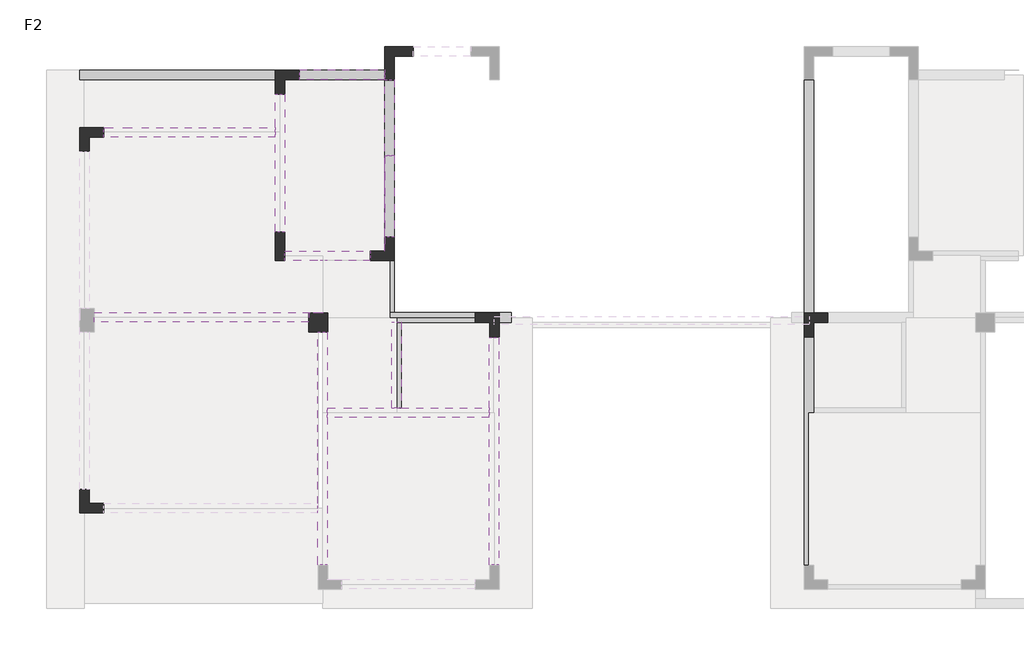
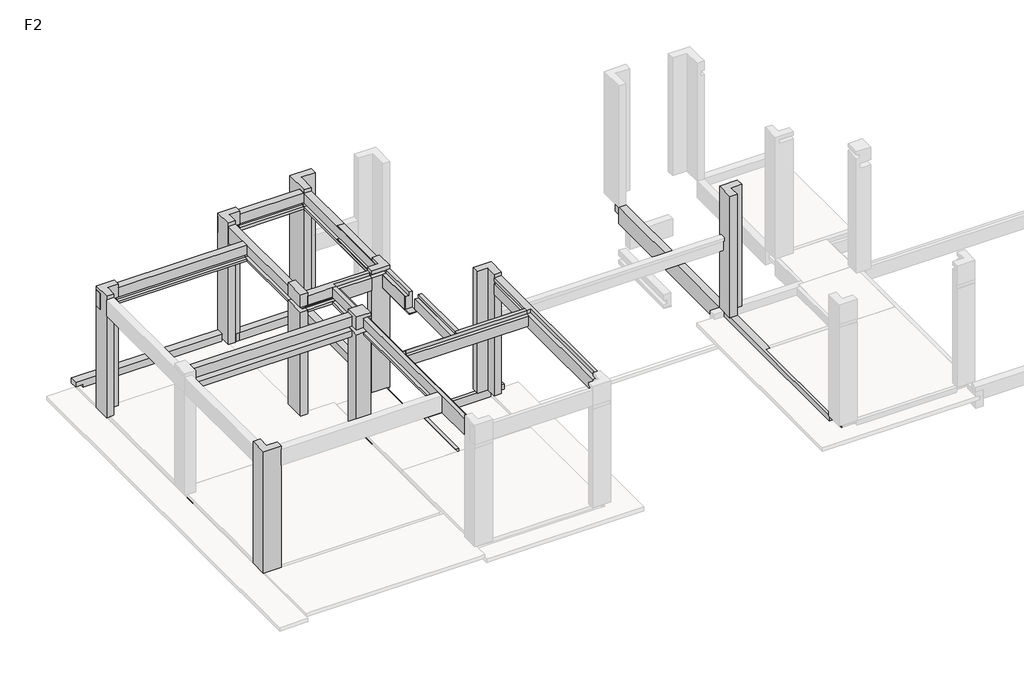
# One storey, part 2 of 3: 17 beams, 9 columns.
"""IFC4 building model written with IfcOpenShell, lengths in millimetres."""

from ifc_helpers import new_model, si_unit, frame, origin, place, context, project, spatial, polyline, outline, extrude, faceted_brep, element, save

model = new_model("IFC4")

# Units and contexts
model_context = context("Model", 3, world=origin())
ifc_project = project(units=[si_unit("LENGTHUNIT", "METRE", prefix="MILLI")], contexts=[model_context])

# Site, building, storey
site = spatial("IfcSite", under=ifc_project)
building = spatial("IfcBuilding", under=site)
storey = spatial("IfcBuildingStorey", under=building, Name="F2", Elevation=3560.0)

# Beams
placement = place(None, origin())
element("IfcBeam", 1, at=placement, inside=storey, context=model_context, shape_type="Brep", body=[
    faceted_brep([(-9417.9507841, 2058.7503086, 3560.0), (-9417.9507841, 3858.7452581, 3560.0), (-9517.9507841, 3858.7452581, 3560.0), (-9517.9507841, 2058.7503086, 3560.0), (-9417.9507841, 3858.7452581, 3160.0), (-9417.9507841, 2058.7503086, 3330.0), (-9417.9507841, 3843.630444, 3330.0), (-9417.9507841, 3843.630444, 3230.0), (-9417.9507841, 2058.7503086, 3230.0), (-9417.9507841, 2058.7503086, 3160.0), (-9617.9507841, 3858.7452581, 3160.0), (-9617.9507841, 2058.7503086, 3160.0), (-9617.9507841, 2058.7503086, 3460.0), (-9617.9507841, 3858.7452581, 3460.0), (-9567.9488808, 3858.7452581, 3460.0), (-9517.9507841, 3858.7452581, 3460.0), (-9517.9507841, 2058.7503086, 3230.0), (-9517.9507841, 2058.7503086, 3330.0), (-9517.9507841, 2058.7503086, 3460.0), (-9517.9507841, 3843.630444, 3230.0), (-9517.9507841, 3843.630444, 3330.0)], [[[0, 1, 2, 3]], [[4, 1, 0, 5, 6, 7, 8, 9]], [[10, 4, 9, 11]], [[10, 11, 12, 13]], [[1, 4, 10, 13, 14, 15, 2]], [[9, 8, 16, 17, 5, 0, 3, 18, 12, 11]], [[19, 16, 8, 7]], [[17, 20, 6, 5]], [[19, 20, 17, 16]], [[18, 15, 14, 13, 12]], [[15, 18, 3, 2]], [[20, 19, 7, 6]]]),
])
element("IfcBeam", 2, at=placement, inside=storey, context=model_context, shape_type="Brep", body=[
    faceted_brep([(-16172.1845793, 9151.6953797, 3700.0), (-16172.1845793, 8951.6953797, 3700.0), (-12067.9488808, 8951.6953797, 3700.0), (-12067.9488808, 9151.1979011, 3700.0), (-11872.1863676, 9151.1979011, 3700.0), (-11872.1863676, 9151.6953797, 3700.0), (-15972.1845793, 8951.6953797, 3380.0), (-15972.1845793, 8951.6953797, 3300.0), (-12072.1863676, 8951.6953797, 3300.0), (-12072.1863676, 8951.6953797, 3380.0), (-15972.1845793, 9151.6953797, 3300.0), (-12072.1863676, 9151.6953797, 3300.0), (-12072.1863676, 8958.7552613, 3300.0), (-16172.1845793, 9151.6953797, 3560.0), (-11872.1863676, 9151.6953797, 3560.0), (-12072.1863676, 9151.6953797, 3560.0), (-15972.1845793, 9151.6953797, 3560.0), (-16172.1845793, 8951.6953797, 3560.0), (-15972.1845793, 8951.6953797, 3560.0), (-15972.1845793, 9051.6953797, 3380.0), (-15972.1845793, 9051.6953797, 3480.0), (-15972.1845793, 8951.6953797, 3480.0), (-11872.1863676, 9151.1979011, 3560.0), (-12067.9488808, 9151.1979011, 3560.0), (-12067.9488808, 8958.7552613, 3560.0), (-12067.9488808, 8951.6953797, 3560.0), (-12072.1863676, 8951.6953797, 3560.0), (-12072.1863676, 8958.7552613, 3560.0), (-12072.1863676, 8951.6953797, 3480.0), (-12072.1863676, 8958.7552613, 3480.0), (-12072.1863676, 9051.6953797, 3480.0), (-12072.1863676, 9051.6953797, 3380.0), (-12072.1863676, 8958.7552613, 3380.0)], [[[0, 1, 2, 3, 4, 5]], [[6, 7, 8, 9]], [[7, 10, 11, 12, 8]], [[13, 0, 5, 14, 15, 11, 10, 16]], [[1, 0, 13, 17]], [[16, 18, 17, 13]], [[18, 16, 10, 7, 6, 19, 20, 21]], [[22, 23, 24, 25, 26, 27, 15, 14]], [[11, 15, 27, 26, 28, 29, 30, 31, 32, 9, 8, 12]], [[31, 19, 6, 9, 32]], [[20, 30, 29, 28, 21]], [[19, 31, 30, 20]], [[1, 17, 18, 21, 28, 26, 25, 2]], [[23, 3, 2, 25, 24]], [[3, 23, 22, 4]], [[14, 5, 4, 22]]]),
])
element("IfcBeam", 3, at=placement, inside=storey, context=model_context, shape_type="Brep", body=[
    faceted_brep([(-767.9488808, -1541.2496913, 3560.0), (-759.2899804, -1541.2496913, 3560.0), (-759.2899804, 9451.187898, 3560.0), (-767.8766931, 9451.187898, 3560.0), (-767.8766931, 8951.187898, 3560.0), (-959.2899804, 8951.187898, 3560.0), (-959.2899804, -1248.812102, 3560.0), (-867.8766931, -1248.812102, 3560.0), (-767.9488808, -1248.812102, 3560.0), (-959.2899804, -1248.812102, 3080.0), (-959.2899804, 8951.187898, 3080.0), (-759.2899804, -1541.2496913, 3080.0), (-767.9488808, -1541.2496913, 3080.0), (-767.9488808, -1248.812102, 3080.0), (-767.8766931, 8951.187898, 3080.0), (-767.8766931, 9451.187898, 3080.0), (-759.2899804, 9451.187898, 3080.0), (-767.9488808, -1248.812102, 3460.0)], [[[0, 1, 2, 3, 4, 5, 6, 7, 8]], [[9, 6, 5, 10]], [[11, 12, 13, 9, 10, 14, 15, 16]], [[1, 11, 16, 2]], [[11, 1, 0, 12]], [[13, 17, 8, 7, 6, 9]], [[8, 17, 13, 12, 0]], [[15, 3, 2, 16]], [[3, 15, 14, 4]], [[4, 14, 10, 5]]]),
])
element("IfcBeam", 4, ObjectType="200 x 500 mm", at=placement, inside=storey, context=model_context, shape_type="Brep", body=[
    faceted_brep([(-9567.948881, 7362.0882054, 7060.0), (-9567.948881, 7362.0882054, 6560.0), (-9767.948881, 7362.0882054, 6560.0), (-9767.948881, 7362.0882054, 6580.0), (-9767.948881, 7362.0882054, 6660.0), (-9672.0638644, 7362.0882054, 6660.0), (-9672.0638644, 7362.0882054, 6780.0), (-9767.948881, 7362.0882054, 6780.0), (-9767.948881, 7362.0882054, 7060.0), (-9572.0638644, 7362.0882054, 7060.0), (-9767.948881, 5651.187898, 6660.0), (-9672.0638644, 5651.187898, 6660.0), (-9672.0638644, 5651.187898, 6780.0), (-9767.948881, 5651.187898, 6780.0), (-9567.948881, 5651.187898, 7060.0), (-9767.948881, 5651.187898, 7060.0), (-9767.948881, 5651.187898, 6560.0), (-9567.948881, 5651.187898, 6560.0)], [[[0, 1, 2, 3, 4, 5, 6, 7, 8, 9]], [[5, 4, 10, 11]], [[7, 6, 12, 13]], [[6, 5, 11, 12]], [[14, 15, 13, 12, 11, 10, 16, 17]], [[0, 9, 8, 15, 14]], [[8, 7, 13, 15]], [[4, 3, 2, 16, 10]], [[2, 1, 17, 16]], [[1, 0, 14, 17]]]),
    faceted_brep([(-9567.948881, 5151.187898, 7060.0), (-9667.948881, 5151.187898, 7060.0), (-9667.948881, 4058.7452581, 7060.0), (-9567.948881, 4058.7452581, 7060.0), (-9767.948881, 5151.187898, 6960.0), (-9767.948881, 5151.187898, 6580.0), (-9767.948881, 5151.187898, 6560.0), (-9767.948881, 3858.7452581, 6560.0), (-9767.948881, 3858.7452581, 6580.0), (-9767.948881, 4058.7452581, 6580.0), (-9767.948881, 4058.7452581, 6960.0), (-9567.948881, 5151.187898, 6560.0), (-9567.948881, 3858.7452581, 6560.0), (-9567.948881, 4058.7452581, 6580.0), (-9567.948881, 3858.7452581, 6580.0), (-9667.948881, 5151.187898, 6960.0), (-9667.948881, 4058.7452581, 6960.0)], [[[0, 1, 2, 3]], [[4, 5, 6, 7, 8, 9, 10]], [[6, 11, 12, 7]], [[11, 0, 3, 13, 14, 12]], [[15, 4, 10, 16]], [[1, 15, 16, 2]], [[1, 0, 11, 6, 5, 4, 15]], [[7, 12, 14, 8]], [[13, 9, 8, 14]], [[9, 13, 3, 2, 16, 10]]]),
])
element("IfcBeam", 5, ObjectType="KL12 200 x 480 mm", at=placement, inside=storey, context=model_context, shape_type="Brep", body=[
    faceted_brep([(-9767.9488808, 8938.487898, 3560.0), (-9567.9488808, 8938.487898, 3560.0), (-9567.9488808, 8938.487898, 3080.0), (-9767.9488808, 8938.487898, 3080.0), (-9767.9488808, 5651.187898, 3560.0), (-9767.9488808, 5358.7503099, 3560.0), (-9672.0638644, 5358.7503099, 3560.0), (-9672.0638644, 5158.7503099, 3560.0), (-9767.9488808, 5158.7503099, 3560.0), (-9767.9488808, 3951.187898, 3560.0), (-9667.9488808, 3951.187898, 3560.0), (-9667.9488808, 5191.187898, 3560.0), (-9567.9488808, 5191.187898, 3560.0), (-9567.9488808, 5651.187898, 3560.0), (-9567.9488808, 5191.187898, 3460.0), (-9567.9488808, 3858.7452581, 3460.0), (-9567.9488808, 3858.7452581, 3080.0), (-9767.9488808, 3858.7452581, 3080.0), (-9767.9488808, 5158.7503099, 3080.0), (-9672.0638644, 5158.7503099, 3080.0), (-9672.0638644, 5358.7503099, 3080.0), (-9767.9488808, 5358.7503099, 3080.0), (-9767.9488808, 3858.7452581, 3460.0), (-9767.9488808, 3951.187898, 3460.0), (-9617.9507841, 3858.7452581, 3460.0), (-9667.9488808, 5191.187898, 3460.0), (-9667.9488808, 3951.187898, 3460.0)], [[[0, 1, 2, 3]], [[1, 0, 4, 5, 6, 7, 8, 9, 10, 11, 12, 13]], [[2, 1, 13, 12, 14, 15, 16]], [[3, 2, 16, 17, 18, 19, 20, 21]], [[0, 3, 21, 5, 4]], [[7, 19, 18, 8]], [[20, 6, 5, 21]], [[19, 7, 6, 20]], [[8, 18, 17, 22, 23, 9]], [[17, 16, 15, 24, 22]], [[14, 25, 26, 23, 22, 24, 15]], [[9, 23, 26, 10]], [[11, 25, 14, 12]], [[26, 25, 11, 10]]]),
])
element("IfcBeam", 6, ObjectType="KL13 200 x 480 mm", at=placement, inside=storey, context=model_context, shape_type="SweptSolid", body=[
    extrude(outline(polyline([(-11567.9488808, 8958.7552613), (-11567.9488808, 9151.1979011), (-11872.1863676, 9151.1979011), (-11872.1863676, 9158.7552613), (-9767.9488808, 9158.7552613), (-9767.9488808, 8958.7552613), (-11567.9488808, 8958.7552613)])), frame((0.0, 0.0, 3080.0), z_axis=(0.0, 0.0, 1.0), x_axis=(1.0, 0.0, 0.0)), (0.0, 0.0, 1.0), 480.0),
])
element("IfcBeam", 7, ObjectType="KL2 200 x 480 mm", at=placement, inside=storey, context=model_context, shape_type="Brep", body=[
    faceted_brep([(-11067.9863851, 5151.1978071, 7060.0), (-11067.9863851, 5258.7503099, 7060.0), (-10067.9488808, 5258.7503099, 7060.0), (-10067.9488808, 5351.1978071, 7060.0), (-11867.9488808, 5351.1978071, 7060.0), (-11867.9488808, 5151.1978071, 7060.0), (-11172.1847994, 5151.1978071, 7060.0), (-11067.9488808, 5151.1978071, 6780.0), (-11067.9488808, 5151.1978071, 6640.0), (-11172.1847994, 5151.1978071, 6640.0), (-11867.9488808, 5151.1978071, 6640.0), (-11867.9488808, 5151.1978071, 6580.0), (-11172.1847994, 5151.1978071, 6580.0), (-10972.1847994, 5151.1978071, 6580.0), (-10067.9488808, 5151.1978071, 6580.0), (-10067.9488808, 5151.1978071, 6960.0), (-10972.1847994, 5151.1978071, 6960.0), (-11067.9863851, 5151.1978071, 6960.0), (-11867.9488808, 5151.1978071, 6780.0), (-11172.1847994, 5151.1978071, 6780.0), (-10067.9488808, 5351.1978071, 6580.0), (-11867.9488808, 5351.1978071, 6580.0), (-10067.9488808, 5351.1978071, 6780.0), (-11867.9488808, 5351.1978071, 6780.0), (-11067.9488808, 5258.7503099, 6660.0), (-10067.9488808, 5258.7503099, 6660.0), (-10067.9488808, 5351.1978071, 6660.0), (-11867.9488808, 5351.1978071, 6660.0), (-11867.9488808, 5258.7503099, 6660.0), (-11067.9488808, 5258.7503099, 6780.0), (-10067.9488808, 5258.7503099, 6780.0), (-11067.9488808, 5258.7503099, 6640.0), (-11867.9488808, 5258.7503099, 6640.0), (-11067.9863851, 5258.7503099, 6960.0), (-10067.9488808, 5258.7503099, 6960.0)], [[[0, 1, 2, 3, 4, 5, 6]], [[7, 8, 9, 10, 11, 12, 13, 14, 15, 16, 17, 0, 6, 5, 18, 19]], [[20, 14, 13, 12, 11, 21]], [[3, 22, 23, 4]], [[24, 25, 26, 27, 28]], [[29, 7, 19, 18, 23, 22, 30]], [[24, 29, 30, 25]], [[8, 31, 32, 10, 9]], [[31, 24, 28, 32]], [[24, 31, 8, 7, 29]], [[33, 17, 16, 15, 34]], [[33, 1, 0, 17]], [[1, 33, 34, 2]], [[26, 20, 21, 27]], [[3, 2, 34, 15, 14, 20, 26, 25, 30, 22]], [[5, 4, 23, 18]], [[11, 10, 32, 28, 27, 21]]]),
])
element("IfcBeam", 8, ObjectType="KL3 200 x 600mm", at=placement, inside=storey, context=model_context, shape_type="Brep", body=[
    faceted_brep([(-11172.1847994, 4058.7452581, 7060.0), (-15867.9082316, 4058.7452581, 7060.0), (-15867.9082316, 3858.7452581, 7060.0), (-11367.9488808, 3858.7452581, 7060.0), (-11367.9488808, 4051.1929485, 7060.0), (-11172.1847994, 4051.1929485, 7060.0), (-15867.9082316, 3858.7452581, 6780.0), (-11367.9488808, 3858.7452581, 6780.0), (-11172.1847994, 4058.7452581, 6780.0), (-15867.9082316, 4058.7452581, 6780.0), (-11172.1847994, 4051.1929485, 6780.0), (-11367.9488808, 4051.1929485, 6780.0)], [[[0, 1, 2, 3, 4, 5]], [[2, 6, 7, 3]], [[0, 8, 9, 1]], [[9, 8, 10, 11, 7, 6]], [[8, 0, 5, 10]], [[2, 1, 9, 6]], [[4, 11, 10, 5]], [[11, 4, 3, 7]]]),
    faceted_brep([(-15867.9082316, 4058.7452581, 6460.0), (-11072.1847994, 4058.7452581, 6460.0), (-11072.1847994, 4051.1929485, 6460.0), (-11367.9488808, 4051.1929485, 6460.0), (-11367.9488808, 3858.7452581, 6460.0), (-15867.9082316, 3858.7452581, 6460.0), (-11172.1847994, 4058.7452581, 6640.0), (-15867.9082316, 4058.7452581, 6640.0), (-15867.9082316, 3858.7452581, 6640.0), (-11367.9488808, 3858.7452581, 6640.0), (-11367.9488808, 4051.1929485, 6640.0), (-11172.1847994, 4051.1929485, 6640.0), (-11072.1847994, 4058.7452581, 6580.0), (-11172.1847994, 4058.7452581, 6580.0), (-11172.1847994, 4051.1929485, 6580.0), (-11072.1847994, 4051.1929485, 6580.0)], [[[0, 1, 2, 3, 4, 5]], [[6, 7, 8, 9, 10, 11]], [[12, 13, 14, 15]], [[13, 6, 11, 14]], [[1, 12, 15, 2]], [[8, 5, 4, 9]], [[12, 1, 0, 7, 6, 13]], [[0, 5, 8, 7]], [[10, 3, 2, 15, 14, 11]], [[3, 10, 9, 4]]]),
])
element("IfcBeam", 9, ObjectType="KL5 200 x 480 mm", at=placement, inside=storey, context=model_context, shape_type="Brep", body=[
    faceted_brep([(-11172.1847994, -1236.1070515, 7060.0), (-11172.1847994, -1236.1070515, 6580.0), (-10972.1847994, -1236.1070515, 6580.0), (-10972.1847994, -1236.1070515, 6960.0), (-11068.0854822, -1236.1070515, 6960.0), (-11068.0854822, -1236.1070515, 7060.0), (-11068.0854822, -48.812102, 6780.0), (-11068.0854822, -48.812102, 6640.0), (-11172.1847994, -48.812102, 6640.0), (-11172.1847994, -48.812102, 6780.0), (-11067.9863851, 1962.0882008, 7060.0), (-11067.9863851, 1962.0882008, 6960.0), (-11067.9863851, 3651.1929485, 6960.0), (-11067.9863851, 3651.1929485, 7060.0), (-10972.1847994, 1962.0882008, 7060.0), (-10972.1847994, 1962.0882008, 6960.0), (-10972.1847994, 1954.966578, 6960.0), (-11068.0854822, 1954.966578, 6960.0), (-10972.1847994, 1862.0882008, 6960.0), (-11068.0854822, 1954.966578, 7060.0), (-10972.1847994, 1954.966578, 7060.0), (-11172.1847994, 3651.1929485, 7060.0), (-10972.1847994, 3651.1929485, 6960.0), (-10972.1847994, 3651.1929485, 6580.0), (-11172.1847994, 3651.1929485, 6580.0), (-11172.1847994, 3651.1929485, 6640.0), (-11067.9882851, 3651.1929485, 6640.0), (-11067.9488808, 3651.1929485, 6780.0), (-11172.1847994, 3651.1929485, 6780.0), (-11172.1847994, 51.187898, 7060.0), (-11172.1847994, -148.812102, 7060.0), (-10972.1847994, 2062.0882008, 6960.0), (-11172.1847994, -148.812102, 6580.0), (-11172.1847994, 51.187898, 6580.0), (-11172.1847994, 51.187898, 6780.0), (-11172.1847994, 51.187898, 6640.0)], [[[0, 1, 2, 3, 4, 5]], [[6, 7, 8, 9]], [[10, 11, 12, 13]], [[11, 10, 14, 15]], [[16, 17, 4, 3, 18]], [[17, 19, 5, 4]], [[19, 17, 16, 20]], [[21, 13, 12, 22, 23, 24, 25, 26, 27, 28]], [[14, 10, 13, 21, 29, 30, 0, 5, 19, 20]], [[15, 14, 20, 16, 18, 3, 2, 23, 22, 31]], [[2, 1, 32, 33, 24, 23]], [[1, 0, 30, 29, 21, 28, 34, 9, 8, 35, 25, 24, 33, 32]], [[8, 7, 26, 25, 35]], [[6, 9, 34, 28, 27]], [[7, 6, 27, 26]], [[11, 15, 31, 22, 12]]]),
    faceted_brep([(-11067.9863851, 5151.1978071, 7060.0), (-11172.1847994, 5151.1978071, 7060.0), (-11172.1847994, 4058.7452581, 7060.0), (-11172.1847994, 4051.1929485, 7060.0), (-11067.9863851, 4051.1929485, 7060.0), (-10972.1847994, 5151.1978071, 6580.0), (-10972.1847994, 5151.1978071, 6960.0), (-10972.1847994, 4051.1929485, 6960.0), (-10972.1847994, 4051.1929485, 6580.0), (-11172.1847994, 5151.1978071, 6580.0), (-11072.1847994, 4051.1929485, 6580.0), (-11172.1847994, 4051.1929485, 6580.0), (-11172.1847994, 4058.7452581, 6580.0), (-11172.1847994, 5151.1978071, 6640.0), (-11172.1847994, 4051.1929485, 6640.0), (-11172.1847994, 4058.7452581, 6640.0), (-11067.9488808, 5151.1978071, 6640.0), (-11067.9488808, 5151.1978071, 6780.0), (-11172.1847994, 5151.1978071, 6780.0), (-11067.9863851, 5151.1978071, 6960.0), (-11067.9777773, 4051.1929485, 6640.0), (-11067.9777773, 4051.1929485, 6780.0), (-11172.1847994, 4051.1929485, 6780.0), (-11172.1847994, 4058.7452581, 6780.0), (-11067.9863851, 4051.1929485, 6960.0)], [[[0, 1, 2, 3, 4]], [[5, 6, 7, 8]], [[9, 5, 8, 10, 11, 12]], [[13, 9, 12, 11, 14, 15]], [[5, 9, 13, 16, 17, 18, 1, 0, 19, 6]], [[16, 13, 15, 14, 20]], [[18, 17, 21, 22, 23]], [[17, 16, 20, 21]], [[6, 19, 24, 7]], [[4, 3, 22, 21, 20, 14, 11, 10, 8, 7, 24]], [[1, 18, 23, 22, 3, 2]], [[19, 0, 4, 24]]]),
])
element("IfcBeam", 10, ObjectType="KL6 200 x 480 mm", at=placement, inside=storey, context=model_context, shape_type="Brep", body=[
    faceted_brep([(-7112.1845793, 4058.7452581, 3560.0), (-7112.1845793, 3858.7452581, 3560.0), (-7112.1845793, 3858.7452581, 3410.0), (-7112.1845793, 3951.187898, 3410.0), (-7112.1845793, 3951.187898, 3300.0), (-7112.1845793, 3858.7452581, 3300.0), (-7112.1845793, 3858.7452581, 3080.0), (-7112.1845793, 4058.7452581, 3080.0), (-7568.0210684, 4058.7452581, 3560.0), (-7568.0210684, 3951.187898, 3560.0), (-9517.9507841, 3951.187898, 3560.0), (-9517.9507841, 3858.7452581, 3560.0), (-9417.9507841, 3858.7452581, 3560.0), (-10967.9488808, 3858.7452581, 3080.0), (-7477.9507841, 3858.7452581, 3300.0), (-7477.9507841, 3858.7452581, 3410.0), (-9517.9507841, 3858.7452581, 3460.0), (-9617.9507841, 3858.7452581, 3460.0), (-10967.9488808, 3858.7452581, 3460.0), (-10967.9849689, 4051.1929487, 3080.0), (-10967.9863851, 4058.7452581, 3080.0), (-10967.9863851, 4058.7452581, 3460.0), (-7568.0210684, 4058.7452581, 3460.0), (-10967.9488808, 4051.1929485, 3460.0), (-7477.9507841, 3951.187898, 3410.0), (-7477.9507841, 3951.187898, 3300.0), (-9517.9507841, 3951.187898, 3460.0), (-7568.0210684, 3951.187898, 3460.0)], [[[0, 1, 2, 3, 4, 5, 6, 7]], [[1, 0, 8, 9, 10, 11, 12]], [[13, 6, 5, 14, 15, 2, 1, 12, 11, 16, 17, 18]], [[7, 6, 13, 19, 20]], [[0, 7, 20, 21, 22, 8]], [[18, 23, 21, 20, 19, 13]], [[15, 24, 3, 2]], [[25, 24, 15, 14]], [[24, 25, 4, 3]], [[4, 25, 14, 5]], [[16, 26, 27, 22, 21, 23, 18, 17]], [[26, 16, 11, 10]], [[27, 9, 8, 22]], [[9, 27, 26, 10]]]),
    faceted_brep([(-15867.9082316, 4058.7452581, 3080.0), (-15867.9082316, 3858.7452581, 3080.0), (-15867.9082316, 3858.7452581, 3460.0), (-15867.9082316, 3958.7452581, 3460.0), (-15867.9082316, 3958.7452581, 3440.0), (-15867.9082316, 4058.7452581, 3440.0), (-11367.9488808, 3858.7452581, 3080.0), (-11367.9488808, 4051.1929485, 3080.0), (-11367.9488808, 4051.1929485, 3440.0), (-11367.9488808, 3958.7452581, 3440.0), (-11367.9488808, 3958.7452581, 3460.0), (-11367.9488808, 3858.7452581, 3460.0), (-11167.9863851, 4051.1929485, 3440.0), (-11167.9863851, 4051.1929485, 3080.0), (-11167.9863851, 4058.7452581, 3080.0), (-11167.9863851, 4058.7452581, 3440.0)], [[[0, 1, 2, 3, 4, 5]], [[6, 7, 8, 9, 10, 11]], [[1, 6, 11, 2]], [[12, 13, 14, 15]], [[4, 9, 8, 12, 15, 5]], [[9, 4, 3, 10]], [[3, 2, 11, 10]], [[13, 12, 8, 7]], [[1, 0, 14, 13, 7, 6]], [[0, 5, 15, 14]]]),
])
element("IfcBeam", 11, ObjectType="KL6 200 x 480 mm", at=placement, inside=storey, context=model_context, shape_type="Brep", body=[
    faceted_brep([(-9767.948881, 7362.0882054, 7060.0), (-9572.0638644, 7362.0882054, 7060.0), (-9572.0638644, 8951.187898, 7060.0), (-9767.9488808, 8951.187898, 7060.0), (-9767.9488808, 9158.7552613, 7060.0), (-9772.0638644, 9158.7552613, 7060.0), (-9772.0638644, 8958.7552613, 7060.0), (-9772.0638644, 5351.187898, 7060.0), (-9767.948881, 5351.187898, 7060.0), (-9767.948881, 5651.187898, 7060.0), (-9572.0638644, 7362.0882054, 6580.0), (-9572.0638644, 8951.187898, 6580.0), (-9767.948881, 7362.0882054, 6580.0), (-9767.948881, 5651.187898, 6580.0), (-9767.948881, 5351.187898, 6580.0), (-9772.0638644, 5351.187898, 6580.0), (-9772.0638644, 8958.7552613, 6580.0), (-9772.0638644, 9158.7552613, 6580.0), (-9767.9488808, 9158.7552613, 6580.0), (-9767.9488808, 8951.187898, 6580.0), (-9772.0638644, 5351.187898, 6660.0), (-9772.0638644, 8958.7552613, 6660.0), (-9772.0638644, 9051.1979011, 6660.0), (-9772.0638644, 9051.1979011, 6780.0), (-9772.0638644, 8958.7552613, 6780.0), (-9772.0638644, 5351.187898, 6780.0), (-9767.948881, 7362.0882054, 6780.0), (-9672.0638644, 7362.0882054, 6780.0), (-9672.0638644, 7362.0882054, 6660.0), (-9767.948881, 7362.0882054, 6660.0), (-9672.0638644, 8951.187898, 6660.0), (-9767.9488808, 8951.187898, 6660.0), (-9767.9488808, 9051.1979011, 6660.0), (-9767.948881, 5351.187898, 6660.0), (-9767.948881, 5651.187898, 6660.0), (-9767.948881, 5651.187898, 6780.0), (-9767.948881, 5351.187898, 6780.0), (-9767.9488808, 9051.1979011, 6780.0), (-9767.9488808, 8951.187898, 6780.0), (-9672.0638644, 8951.187898, 6780.0)], [[[0, 1, 2, 3, 4, 5, 6, 7, 8, 9]], [[1, 10, 11, 2]], [[10, 12, 13, 14, 15, 16, 17, 18, 19, 11]], [[5, 17, 16, 15, 20, 21, 22, 23, 24, 25, 7, 6]], [[1, 0, 26, 27, 28, 29, 12, 10]], [[17, 5, 4, 18]], [[29, 28, 30, 31, 32, 22, 21, 20, 33, 34]], [[27, 26, 35, 36, 25, 24, 23, 37, 38, 39]], [[28, 27, 39, 30]], [[23, 22, 32, 37]], [[8, 7, 25, 36]], [[26, 0, 9, 8, 36, 35]], [[12, 29, 34, 33, 14, 13]], [[15, 14, 33, 20]], [[19, 31, 30, 39, 38, 3, 2, 11]], [[31, 19, 18, 4, 3, 38, 37, 32]]]),
    faceted_brep([(-9767.948881, 5151.187898, 6580.0), (-9767.948881, 5151.187898, 6960.0), (-9767.948881, 4058.7452581, 6960.0), (-9767.948881, 4058.7452581, 6580.0), (-9772.0638644, 5151.187898, 6960.0), (-9772.0638644, 4058.7452581, 6960.0), (-9772.0638644, 5151.187898, 6580.0), (-9772.0638644, 4058.7452581, 6580.0)], [[[0, 1, 2, 3]], [[1, 4, 5, 2]], [[0, 6, 4, 1]], [[6, 0, 3, 7]], [[4, 6, 7, 5]], [[3, 2, 5, 7]]]),
])
element("IfcBeam", 12, ObjectType="KL8 200 x 480 mm", at=placement, inside=storey, context=model_context, shape_type="Brep", body=[
    faceted_brep([(-7576.6079888, 3538.4929483, 7060.0), (-7376.6079888, 3538.4929483, 7060.0), (-7376.6079888, 3538.4929483, 6580.0), (-7576.6079888, 3538.4929483, 6580.0), (-7576.6079888, 3538.4929483, 6880.0), (-7476.6079888, 3538.4929483, 6880.0), (-7476.6079888, 3538.4929483, 6980.0), (-7576.6079888, 3538.4929483, 6980.0), (-7576.6079888, 2062.0882008, 7060.0), (-7576.6079888, 1954.966578, 7060.0), (-7468.0210684, 1954.966578, 7060.0), (-7468.0210684, -1241.2496913, 7060.0), (-7376.6079888, -1241.2496913, 7060.0), (-7376.6079888, -1241.2496913, 6580.0), (-7576.6079888, -1241.2496913, 6580.0), (-7576.6079888, -1241.2496913, 6960.0), (-7576.6079888, 1862.0882008, 6960.0), (-7576.6079888, 1954.966578, 6960.0), (-7576.6079888, 2062.0882008, 6980.0), (-7576.6079888, 1962.0882008, 6980.0), (-7576.6079888, 1962.0882008, 6880.0), (-7576.6079888, 2062.0882008, 6880.0), (-7476.6079888, 1962.0882008, 6880.0), (-7476.6079888, 1962.0882008, 6980.0), (-7468.0210684, 1954.966578, 6960.0), (-7468.0210684, -1241.2496913, 6960.0)], [[[0, 1, 2, 3, 4, 5, 6, 7]], [[1, 0, 8, 9, 10, 11, 12]], [[2, 1, 12, 13]], [[3, 2, 13, 14]], [[3, 14, 15, 16, 17, 9, 8, 0, 7, 18, 19, 20, 21, 4]], [[20, 22, 5, 4, 21]], [[6, 23, 19, 18, 7]], [[22, 23, 6, 5]], [[23, 22, 20, 19]], [[24, 17, 16, 15, 25]], [[10, 24, 25, 11]], [[24, 10, 9, 17]], [[14, 13, 12, 11, 25, 15]]]),
])
element("IfcBeam", 13, ObjectType="L1 200 x 400 mm", at=placement, inside=storey, context=model_context, shape_type="SweptSolid", body=[
    extrude(outline(polyline([(-9417.9507841, 2062.0882008), (-9517.9507841, 2062.0882008), (-9517.9507841, 3858.7452581), (-9417.9507841, 3858.7452581), (-9417.9507841, 2062.0882008)])), frame((0.0, 0.0, 6980.0), z_axis=(0.0, 0.0, 1.0), x_axis=(1.0, 0.0, 0.0)), (0.0, 0.0, 1.0), 80.0),
    extrude(outline(polyline([(6660.0, -9617.9507841), (6660.0, -9417.9507841), (6880.0, -9417.9507841), (6880.0, -9517.9507841), (6960.0, -9517.9507841), (6960.0, -9617.9507841), (6660.0, -9617.9507841)])), frame((0.0, 2062.0882008, 0.0), z_axis=(0.0, 1.0, 0.0), x_axis=(0.0, 0.0, 1.0)), (0.0, 0.0, 1.0), 1796.6570573),
])
element("IfcBeam", 14, ObjectType="L3 200 x 400 mm", at=placement, inside=storey, context=model_context, shape_type="Brep", body=[
    faceted_brep([(-7576.6079888, 2062.0882008, 7060.0), (-9417.9507841, 2062.0882008, 7060.0), (-9517.9507841, 2062.0882008, 7060.0), (-9517.9507841, 1962.0882008, 7060.0), (-10972.1847994, 1962.0882008, 7060.0), (-10972.1847994, 1954.966578, 7060.0), (-7576.6079888, 1954.966578, 7060.0), (-10972.1847994, 1862.0882008, 6660.0), (-7576.6079888, 1862.0882008, 6660.0), (-7576.6079888, 1862.0882008, 6960.0), (-10972.1847994, 1862.0882008, 6960.0), (-10972.1847994, 2062.0882008, 6660.0), (-9617.9507841, 2062.0882008, 6660.0), (-9417.9507841, 2062.0882008, 6660.0), (-7576.6079888, 2062.0882008, 6660.0), (-10972.1847994, 2062.0882008, 6960.0), (-9617.9507841, 2062.0882008, 6960.0), (-9517.9507841, 2062.0882008, 6960.0), (-9517.9507841, 2062.0882008, 6880.0), (-9417.9507841, 2062.0882008, 6880.0), (-7576.6079888, 2062.0882008, 6880.0), (-10972.1847994, 1954.966578, 6960.0), (-10972.1847994, 1962.0882008, 6960.0), (-7576.6079888, 1962.0882008, 6880.0), (-7576.6079888, 1962.0882008, 6980.0), (-7576.6079888, 2062.0882008, 6980.0), (-7576.6079888, 1954.966578, 6960.0), (-9517.9507841, 1962.0882008, 6880.0), (-9517.9507841, 1962.0882008, 6980.0), (-9517.9507841, 2062.0882008, 6980.0), (-9417.9507841, 2062.0882008, 6980.0), (-9517.9507841, 1962.0882008, 6960.0)], [[[0, 1, 2, 3, 4, 5, 6]], [[7, 8, 9, 10]], [[7, 11, 12, 13, 14, 8]], [[14, 13, 12, 11, 15, 16, 17, 18, 19, 20]], [[11, 7, 10, 21, 5, 4, 22, 15]], [[8, 14, 20, 23, 24, 25, 0, 6, 26, 9]], [[18, 27, 23, 20, 19]], [[24, 28, 29, 30, 25]], [[23, 27, 31, 22, 4, 3, 28, 24]], [[27, 18, 17, 31]], [[22, 31, 17, 16, 15]], [[28, 3, 2, 29]], [[0, 25, 30, 29, 2, 1]], [[26, 21, 10, 9]], [[21, 26, 6, 5]]]),
])
element("IfcBeam", 15, ObjectType="WKL2 200 x 480 mm", at=placement, inside=storey, context=model_context, shape_type="SweptSolid", body=[
    extrude(outline(polyline([(9158.7552613, 7060.0), (9158.7552613, 6580.0), (8958.7552613, 6580.0), (8958.7552613, 6660.0), (9051.1979011, 6660.0), (9051.1979011, 6780.0), (8958.7552613, 6780.0), (8958.7552613, 7060.0), (9158.7552613, 7060.0)])), frame((-11555.2488808, 0.0, 0.0), z_axis=(1.0, 0.0, 0.0), x_axis=(0.0, 1.0, 0.0)), (0.0, 0.0, 1.0), 1783.1850164),
])
element("IfcBeam", 16, ObjectType="WKL3 200 x 480 mm", at=placement, inside=storey, context=model_context, shape_type="Brep", body=[
    faceted_brep([(-16172.1845793, 7951.1927566, 7060.0), (-16172.1845793, 7751.1927566, 7060.0), (-16167.9082317, 7751.1927566, 7060.0), (-16167.9082317, 7951.1927566, 7060.0), (-16172.1845793, 7951.1927566, 6580.0), (-16167.9082317, 7951.1927566, 6580.0), (-16172.1845793, 7751.1927566, 6580.0), (-16167.9082317, 7751.1927566, 6580.0)], [[[0, 1, 2, 3]], [[4, 0, 3, 5]], [[6, 4, 5, 7]], [[1, 6, 7, 2]], [[1, 0, 4, 6]], [[3, 2, 7, 5]]]),
    faceted_brep([(-12067.9488808, 7951.1927566, 7060.0), (-12067.9488808, 7751.1927566, 7060.0), (-12067.9488808, 7751.1927566, 6780.0), (-12067.9488808, 7851.187898, 6780.0), (-12067.9488808, 7851.187898, 6640.0), (-12067.9488808, 7751.1927566, 6640.0), (-12067.9488808, 7751.1927566, 6580.0), (-12067.9488808, 7951.1927566, 6580.0), (-15667.9082317, 7851.187898, 6640.0), (-15667.9082317, 7751.1927566, 6640.0), (-15667.9082317, 7751.1927566, 6780.0), (-15667.9082317, 7851.187898, 6780.0), (-15667.9082317, 7751.1927566, 7060.0), (-15667.9082317, 7951.1927566, 7060.0), (-15667.9082317, 7951.1927566, 6580.0), (-15667.9082317, 7751.1927566, 6580.0), (-13068.789805, 7951.1927566, 6580.0), (-14868.7898049, 7951.1927566, 6580.0)], [[[0, 1, 2, 3, 4, 5, 6, 7]], [[5, 4, 8, 9]], [[3, 2, 10, 11]], [[4, 3, 11, 8]], [[12, 13, 14, 15, 9, 8, 11, 10]], [[1, 0, 13, 12]], [[0, 7, 16, 17, 14, 13]], [[7, 6, 15, 14, 17, 16]], [[6, 5, 9, 15]], [[2, 1, 12, 10]]]),
])
element("IfcBeam", 17, ObjectType="WKL8 200 x 480 mm", at=placement, inside=storey, context=model_context, shape_type="Brep", body=[
    faceted_brep([(-11867.9488808, 8651.1979011, 7060.0), (-12067.9488808, 8651.1979011, 7060.0), (-12067.9488808, 7951.1927566, 7060.0), (-12067.9488808, 7751.1927566, 7060.0), (-12067.9488808, 5751.187898, 7060.0), (-11867.9488808, 5751.187898, 7060.0), (-12067.9488808, 7851.187898, 6640.0), (-12067.9488808, 7851.187898, 6780.0), (-12067.9488808, 7751.1927566, 6780.0), (-12067.9488808, 5751.187898, 6780.0), (-12067.9488808, 8651.1979011, 6580.0), (-12067.9488808, 7951.1927566, 6580.0), (-12067.9488808, 7751.1927566, 6580.0), (-12067.9488808, 5751.187898, 6580.0), (-12067.9488808, 5751.187898, 6640.0), (-12067.9488808, 7751.1927566, 6640.0), (-11867.9488808, 8651.1979011, 6580.0), (-11867.9488808, 5751.187898, 6580.0), (-11867.9488808, 8651.1979011, 6660.0), (-11867.9488808, 5751.187898, 6660.0), (-11967.9488808, 8651.1979011, 6660.0), (-11967.9488808, 7851.187898, 6660.0), (-11967.9488808, 5751.187898, 6660.0), (-11967.9488808, 7851.187898, 6780.0), (-11967.9488808, 8651.1979011, 6780.0), (-11867.9488808, 8651.1979011, 6780.0), (-11867.9488808, 5751.187898, 6780.0), (-11967.9488808, 7851.187898, 6640.0), (-11967.9488808, 5751.187898, 6640.0)], [[[0, 1, 2, 3, 4, 5]], [[6, 7, 8, 9, 4, 3, 2, 1, 10, 11, 12, 13, 14, 15]], [[10, 16, 17, 13, 12, 11]], [[16, 18, 19, 17]], [[20, 21, 22, 19, 18]], [[7, 23, 24, 25, 26, 9, 8]], [[27, 6, 15, 14, 28]], [[27, 21, 23, 7, 6]], [[21, 27, 28, 22]], [[23, 21, 20, 24]], [[1, 0, 25, 24, 20, 18, 16, 10]], [[25, 0, 5, 26]], [[5, 4, 9, 26]], [[14, 13, 17, 19, 22, 28]]]),
    faceted_brep([(-12067.9488808, 9158.7552613, 7060.0), (-11867.9488808, 9158.7552613, 7060.0), (-11867.9488808, 9158.7552613, 6580.0), (-12067.9488808, 9158.7552613, 6580.0), (-11867.9488808, 9151.1979011, 7060.0), (-12067.9488808, 9151.1979011, 7060.0), (-12067.9488808, 9151.1979011, 6580.0), (-11867.9488808, 9151.1979011, 6580.0)], [[[0, 1, 2, 3]], [[4, 5, 6, 7]], [[1, 0, 5, 4]], [[0, 3, 6, 5]], [[3, 2, 7, 6]], [[2, 1, 4, 7]]]),
])

# Columns
element("IfcColumn", 18, at=placement, inside=storey, context=model_context, shape_type="SweptSolid", body=[
    extrude(outline(polyline([(-7867.9118706, 4051.1929483), (-7367.9118706, 4051.1929483), (-7367.9118706, 3551.1929483), (-7567.9118706, 3551.1929483), (-7567.9118706, 3851.1929483), (-7867.9118706, 3851.1929483), (-7867.9118706, 4051.1929483)])), frame((0.0, 0.0, 3560.0), z_axis=(0.0, 0.0, 1.0), x_axis=(1.0, 0.0, 0.0)), (0.0, 0.0, 1.0), 3600.0),
])
element("IfcColumn", 19, at=placement, inside=storey, context=model_context, shape_type="SweptSolid", body=[
    extrude(outline(polyline([(-467.985891, 4051.1929483), (-467.985891, 3851.1929483), (-767.985891, 3851.1929483), (-767.985891, 3551.1929483), (-967.985891, 3551.1929483), (-967.985891, 4051.1929483), (-467.985891, 4051.1929483)])), frame((0.0, 0.0, 3560.0), z_axis=(0.0, 0.0, 1.0), x_axis=(1.0, 0.0, 0.0)), (0.0, 0.0, 1.0), 3600.0),
])
element("IfcColumn", 20, ObjectType="KZ-2", at=placement, inside=storey, context=model_context, shape_type="Brep", body=[
    faceted_brep([(-9167.9488808, 9651.187898, 3560.0), (-9167.9488808, 9451.187898, 3560.0), (-9567.9488808, 9451.187898, 3560.0), (-9567.9488808, 8951.187898, 3560.0), (-9767.9488808, 8951.187898, 3560.0), (-9767.9488808, 9651.187898, 3560.0), (-9167.9488808, 9651.187898, 4830.0), (-9167.9488808, 9651.187898, 5310.0), (-9167.9488808, 9651.187898, 7160.0), (-9167.9488808, 9451.187898, 7160.0), (-9167.9488808, 9451.187898, 5310.0), (-9167.9488808, 9451.187898, 5210.0), (-9167.9488808, 9451.187898, 4830.0), (-9567.9488808, 9451.187898, 7160.0), (-9567.9488808, 9451.187898, 5310.0), (-9567.9488808, 9451.187898, 5210.0), (-9567.9488808, 8951.187898, 7160.0), (-9567.9488808, 8951.187898, 5310.0), (-9567.9488808, 8951.187898, 5210.0), (-9767.9488808, 8951.187898, 7160.0), (-9767.9488808, 8951.187898, 7060.0), (-9767.9488808, 8951.187898, 6780.0), (-9672.0638644, 8951.187898, 6780.0), (-9672.0638644, 8951.187898, 6660.0), (-9767.9488808, 8951.187898, 6660.0), (-9767.9488808, 8951.187898, 6580.0), (-9767.9488808, 9051.1979011, 6660.0), (-9767.9488808, 9051.1979011, 6780.0), (-9767.9488808, 9651.187898, 7160.0), (-9672.0638644, 9051.1979011, 6660.0), (-9672.0638644, 9051.1979011, 6780.0)], [[[0, 1, 2, 3, 4, 5]], [[1, 0, 6, 7, 8, 9, 10, 11, 12]], [[2, 1, 12, 11, 10, 9, 13, 14, 15]], [[3, 2, 15, 14, 13, 16, 17, 18]], [[4, 3, 18, 17, 16, 19, 20, 21, 22, 23, 24, 25]], [[5, 4, 25, 24, 26, 27, 21, 20, 19, 28]], [[0, 5, 28, 8, 7, 6]], [[9, 8, 28, 19, 16, 13]], [[29, 26, 24, 23]], [[30, 22, 21, 27]], [[30, 29, 23, 22]], [[29, 30, 27, 26]]]),
])
element("IfcColumn", 21, ObjectType="KZ-4", at=placement, inside=storey, context=model_context, shape_type="Brep", body=[
    faceted_brep([(-11567.9488808, 9151.1979011, 3560.0), (-11567.9488808, 8951.1979011, 3560.0), (-11867.9488808, 8951.1979011, 3560.0), (-11867.9488808, 8651.1979011, 3560.0), (-12067.9488808, 8651.1979011, 3560.0), (-12067.9488808, 8951.6953797, 3560.0), (-12067.9488808, 9151.1979011, 3560.0), (-11872.1863676, 9151.1979011, 3560.0), (-11567.9488808, 9151.1979011, 7160.0), (-11567.9488808, 8951.1979011, 7160.0), (-11567.9488808, 8951.1979011, 6780.0), (-11567.9488808, 9051.1979011, 6780.0), (-11567.9488808, 9051.1979011, 6660.0), (-11567.9488808, 8951.1979011, 6660.0), (-11867.9488808, 8951.1979011, 7160.0), (-11867.9488808, 8951.1979011, 6780.0), (-11867.9488808, 8651.1979011, 7160.0), (-11867.9488808, 8651.1979011, 7060.0), (-11867.9488808, 8651.1979011, 6780.0), (-11867.9488808, 8651.1979011, 6580.0), (-11867.9488808, 8651.1979011, 6660.0), (-11967.9488808, 8651.1979011, 6660.0), (-11967.9488808, 8651.1979011, 6780.0), (-12067.9488808, 8651.1979011, 7160.0), (-12067.9488808, 8651.1979011, 7060.0), (-12067.9488808, 8651.1979011, 6580.0), (-12067.9488808, 9151.1979011, 7160.0), (-12067.9488808, 9151.1979011, 7060.0), (-12067.9488808, 9151.1979011, 6580.0), (-12067.9488808, 9151.1979011, 3700.0), (-11967.9488808, 9051.1979011, 6660.0), (-11867.9488808, 8951.1979011, 6660.0), (-11967.9488808, 9051.1979011, 6780.0)], [[[0, 1, 2, 3, 4, 5, 6, 7]], [[1, 0, 8, 9, 10, 11, 12, 13]], [[9, 14, 15, 10]], [[14, 16, 17, 18, 15]], [[4, 3, 19, 20, 21, 22, 18, 17, 16, 23, 24, 25]], [[6, 5, 4, 25, 24, 23, 26, 27, 28, 29]], [[0, 7, 6, 29, 28, 27, 26, 8]], [[9, 8, 26, 23, 16, 14]], [[12, 30, 21, 20, 31, 13]], [[22, 32, 11, 10, 15, 18]], [[30, 32, 22, 21]], [[32, 30, 12, 11]], [[2, 1, 13, 31]], [[3, 2, 31, 20, 19]]]),
])
element("IfcColumn", 22, ObjectType="KZ-4", at=placement, inside=storey, context=model_context, shape_type="Brep", body=[
    faceted_brep([(-15667.9082317, 7951.187898, 3560.0), (-15667.9082317, 7751.187898, 3560.0), (-15967.9082317, 7751.187898, 3560.0), (-15967.9082317, 7451.187898, 3560.0), (-16167.9082317, 7451.187898, 3560.0), (-16167.9082317, 7951.187898, 3560.0), (-15667.9082317, 7951.187898, 7160.0), (-15667.9082317, 7751.187898, 7160.0), (-15667.9082317, 7751.187898, 6780.0), (-15667.9082317, 7851.187898, 6780.0), (-15667.9082317, 7851.187898, 6640.0), (-15667.9082317, 7751.187898, 6640.0), (-15967.9082317, 7751.187898, 7160.0), (-15967.9082317, 7751.187898, 6780.0), (-15967.9082317, 7451.187898, 7160.0), (-15967.9082317, 7451.187898, 6780.0), (-15967.9082317, 7451.187898, 6640.0), (-16067.9488808, 7451.187898, 6640.0), (-16067.9488808, 7451.187898, 6780.0), (-16167.9082317, 7451.187898, 7160.0), (-16167.9082317, 7951.187898, 7160.0), (-16067.9488808, 7851.187898, 6640.0), (-15967.9082317, 7751.187898, 6640.0), (-16067.9488808, 7851.187898, 6780.0)], [[[0, 1, 2, 3, 4, 5]], [[1, 0, 6, 7, 8, 9, 10, 11]], [[7, 12, 13, 8]], [[12, 14, 15, 13]], [[4, 3, 16, 17, 18, 15, 14, 19]], [[5, 4, 19, 20]], [[0, 5, 20, 6]], [[7, 6, 20, 19, 14, 12]], [[21, 17, 16, 22, 11, 10]], [[23, 9, 8, 13, 15, 18]], [[23, 21, 10, 9]], [[21, 23, 18, 17]], [[2, 1, 11, 22]], [[3, 2, 22, 16]]]),
])
element("IfcColumn", 23, ObjectType="KZ-4", at=placement, inside=storey, context=model_context, shape_type="Brep", body=[
    faceted_brep([(-16167.9488808, 351.187898, 3560.0), (-15967.9488808, 351.187898, 3560.0), (-15967.9488808, 51.187898, 3560.0), (-15667.9488808, 51.187898, 3560.0), (-15667.9488808, -148.812102, 3560.0), (-16167.9488808, -148.812102, 3560.0), (-16167.9488808, 351.187898, 7160.0), (-15967.9488808, 351.187898, 7160.0), (-15967.9488808, 351.187898, 6780.0), (-16067.9488808, 351.187898, 6780.0), (-16067.9488808, 351.187898, 6640.0), (-15967.9488808, 351.187898, 6640.0), (-15967.9488808, 51.187898, 7160.0), (-15967.9488808, 51.187898, 6780.0), (-15667.9488808, 51.187898, 7160.0), (-15667.9488808, 51.187898, 6780.0), (-15667.9488808, 51.187898, 6640.0), (-15667.9488808, -48.812102, 6640.0), (-15667.9488808, -48.812102, 6780.0), (-15667.9488808, -148.812102, 7160.0), (-16167.9488808, -148.812102, 7160.0), (-16067.9488808, -48.812102, 6640.0), (-15967.9488808, 51.187898, 6640.0), (-16067.9488808, -48.812102, 6780.0)], [[[0, 1, 2, 3, 4, 5]], [[1, 0, 6, 7, 8, 9, 10, 11]], [[7, 12, 13, 8]], [[12, 14, 15, 13]], [[4, 3, 16, 17, 18, 15, 14, 19]], [[5, 4, 19, 20]], [[0, 5, 20, 6]], [[7, 6, 20, 19, 14, 12]], [[10, 21, 17, 16, 22, 11]], [[18, 23, 9, 8, 13, 15]], [[21, 23, 18, 17]], [[23, 21, 10, 9]], [[2, 1, 11, 22]], [[3, 2, 22, 16]]]),
])
element("IfcColumn", 24, ObjectType="KZ-4", at=placement, inside=storey, context=model_context, shape_type="Brep", body=[
    faceted_brep([(-10067.9488808, 5151.187898, 3560.0), (-10067.9488808, 5351.187898, 3560.0), (-9767.9488808, 5351.187898, 3560.0), (-9767.9488808, 5358.7503099, 3560.0), (-9767.9488808, 5651.187898, 3560.0), (-9567.9488808, 5651.187898, 3560.0), (-9567.9488808, 5191.187898, 3560.0), (-9567.9488808, 5151.187898, 3560.0), (-10067.9488808, 5151.187898, 6960.0), (-10067.9488808, 5258.7503099, 6960.0), (-10067.9488808, 5258.7503099, 7060.0), (-10067.9488808, 5151.187898, 7060.0), (-10067.9488808, 5151.187898, 7160.0), (-10067.9488808, 5351.187898, 7160.0), (-10067.9488808, 5351.187898, 6780.0), (-10067.9488808, 5258.7503099, 6780.0), (-10067.9488808, 5258.7503099, 6660.0), (-10067.9488808, 5351.187898, 6660.0), (-9767.9488808, 5351.187898, 7160.0), (-9767.9488808, 5351.187898, 7060.0), (-9767.9488808, 5351.187898, 6780.0), (-9772.0638644, 5351.187898, 6780.0), (-9767.9488808, 5651.187898, 7160.0), (-9767.9488808, 5651.187898, 7060.0), (-9767.9488808, 5651.187898, 6780.0), (-9767.9488808, 5651.187898, 6560.0), (-9767.9488808, 5651.187898, 6660.0), (-9672.0638644, 5651.187898, 6660.0), (-9672.0638644, 5651.187898, 6780.0), (-9567.9488808, 5651.187898, 7160.0), (-9567.9488808, 5651.187898, 7060.0), (-9567.9488808, 5651.187898, 6560.0), (-9567.9488808, 5151.187898, 7160.0), (-9567.9488808, 5151.187898, 7060.0), (-9567.9488808, 5151.187898, 6560.0), (-9667.948881, 5151.187898, 7060.0), (-9667.948881, 5151.187898, 6960.0), (-9767.948881, 5151.187898, 6960.0), (-9772.0638644, 5151.187898, 6960.0), (-9672.0638644, 5258.7503099, 6660.0), (-9767.9488808, 5351.187898, 6660.0), (-9772.0638644, 5351.187898, 6660.0), (-9672.0638644, 5258.7503099, 6780.0), (-9767.9488808, 5351.187898, 6580.0), (-9667.948881, 5258.7503099, 6960.0), (-9667.948881, 5258.7503099, 7060.0)], [[[0, 1, 2, 3, 4, 5, 6, 7]], [[1, 0, 8, 9, 10, 11, 12, 13, 14, 15, 16, 17]], [[13, 18, 19, 20, 21, 14]], [[18, 22, 23, 24, 20, 19]], [[5, 4, 25, 26, 27, 28, 24, 23, 22, 29, 30, 31]], [[7, 6, 5, 31, 30, 29, 32, 33, 34]], [[0, 7, 34, 33, 32, 12, 11, 35, 36, 37, 38, 8]], [[13, 12, 32, 29, 22, 18]], [[16, 39, 27, 26, 40, 41, 17]], [[28, 42, 15, 14, 21, 20, 24]], [[39, 42, 28, 27]], [[42, 39, 16, 15]], [[2, 1, 17, 41, 40, 43]], [[4, 3, 2, 43, 40, 26, 25]], [[44, 9, 8, 38, 37, 36]], [[45, 35, 11, 10]], [[45, 44, 36, 35]], [[44, 45, 10, 9]]]),
])
element("IfcColumn", 25, ObjectType="KZ-6", at=placement, inside=storey, context=model_context, shape_type="Brep", body=[
    faceted_brep([(-11367.9488808, 4051.1929485, 3560.0), (-10967.9488808, 4051.1929485, 3560.0), (-10967.9488808, 3651.1929485, 3560.0), (-11367.9488808, 3651.1929485, 3560.0), (-11367.9488808, 4051.1929485, 6460.0), (-11367.9488808, 4051.1929485, 6640.0), (-11172.1847994, 4051.1929485, 6640.0), (-11067.9488808, 4051.1929485, 6640.0), (-11067.9488808, 4051.1929485, 6780.0), (-11172.1847994, 4051.1929485, 6780.0), (-11367.9488808, 4051.1929485, 6780.0), (-11367.9488808, 4051.1929485, 7060.0), (-11367.9488808, 4051.1929485, 7160.0), (-10967.9488808, 4051.1929485, 7160.0), (-10967.9488808, 4051.1929485, 7060.0), (-11067.9863851, 4051.1929485, 7060.0), (-11067.9863851, 4051.1929485, 6960.0), (-10972.1847994, 4051.1929485, 6960.0), (-10967.9488808, 4051.1929485, 6960.0), (-10967.9488808, 3651.1929485, 7160.0), (-10967.9488808, 3651.1929485, 7060.0), (-10967.9488808, 3651.1929485, 6960.0), (-10972.1847994, 3651.1929485, 6960.0), (-11067.9863851, 3651.1929485, 6960.0), (-11067.9863851, 3651.1929485, 7060.0), (-11367.9488808, 3651.1929485, 7160.0), (-11367.9488808, 3651.1929485, 6780.0), (-11172.1847994, 3651.1929485, 6780.0), (-11068.0854822, 3651.1929485, 6780.0), (-11068.0854822, 3651.1929485, 6640.0), (-11172.1847994, 3651.1929485, 6640.0), (-11367.9488808, 3651.1929485, 6640.0), (-11367.9488808, 3858.7452581, 6780.0), (-11367.9488808, 3858.7452581, 6640.0), (-11067.9830329, 3951.1879096, 6640.0), (-11067.980452, 3958.7452222, 6640.0), (-11067.980452, 3958.7452222, 6780.0), (-11067.9830329, 3951.1879096, 6780.0), (-11067.9863851, 3958.7452581, 6960.0), (-11067.9863851, 3958.7452581, 7060.0)], [[[0, 1, 2, 3]], [[1, 0, 4, 5, 6, 7, 8, 9, 10, 11, 12, 13, 14, 15, 16, 17, 18]], [[13, 19, 20, 14]], [[3, 2, 21, 22, 23, 24, 20, 19, 25, 26, 27, 28, 29, 30, 31]], [[25, 12, 11, 10, 32, 26]], [[13, 12, 25, 19]], [[7, 6, 5, 33, 31, 30, 29, 34, 35]], [[10, 9, 8, 36, 37, 28, 27, 26, 32]], [[8, 7, 35, 34, 29, 28, 37, 36]], [[0, 3, 31, 33, 5, 4]], [[23, 22, 21, 18, 17, 16, 38]], [[15, 14, 20, 24, 39]], [[23, 38, 16, 15, 39, 24]], [[2, 1, 18, 21]]]),
])
element("IfcColumn", 26, ObjectType="KZ-8", at=placement, inside=storey, context=model_context, shape_type="Brep", body=[
    faceted_brep([(-11867.9488808, 5751.187898, 3560.0), (-11867.9488808, 5151.187898, 3560.0), (-12067.9488808, 5151.187898, 3560.0), (-12067.9488808, 5751.187898, 3560.0), (-11867.9488808, 5258.7503099, 6660.0), (-11867.9488808, 5351.1978071, 6660.0), (-11867.9488808, 5751.187898, 6660.0), (-11967.9488808, 5751.187898, 6660.0), (-11967.9488808, 5258.7503099, 6660.0), (-11867.9488808, 5258.7503099, 6640.0), (-11967.9488808, 5258.7503099, 6640.0), (-11967.9488808, 5751.187898, 6640.0), (-12067.9488808, 5751.187898, 6640.0), (-12067.9488808, 5151.187898, 6640.0), (-11867.9488808, 5151.187898, 6640.0), (-11867.9488808, 5751.187898, 6580.0), (-12067.9488808, 5751.187898, 6580.0)], [[[0, 1, 2, 3]], [[4, 5, 6, 7, 8]], [[9, 10, 11, 12, 13, 14]], [[10, 8, 7, 11]], [[8, 10, 9, 4]], [[1, 0, 15, 6, 5, 4, 9, 14]], [[2, 1, 14, 13]], [[3, 2, 13, 12, 16]], [[0, 3, 16, 12, 11, 7, 6, 15]]]),
    faceted_brep([(-11867.9488808, 5751.187898, 7160.0), (-11867.9488808, 5151.187898, 7160.0), (-11867.9488808, 5151.187898, 6780.0), (-11867.9488808, 5351.1978071, 6780.0), (-11867.9488808, 5751.187898, 6780.0), (-11867.9488808, 5751.187898, 7060.0), (-12067.9488808, 5151.187898, 7160.0), (-12067.9488808, 5151.187898, 6780.0), (-12067.9488808, 5751.187898, 7160.0), (-12067.9488808, 5751.187898, 7060.0), (-12067.9488808, 5751.187898, 6780.0)], [[[0, 1, 2, 3, 4, 5]], [[1, 6, 7, 2]], [[6, 8, 9, 10, 7]], [[8, 0, 5, 4, 10, 9]], [[1, 0, 8, 6]], [[2, 7, 10, 4, 3]]]),
])

save(model, "model.ifc")
